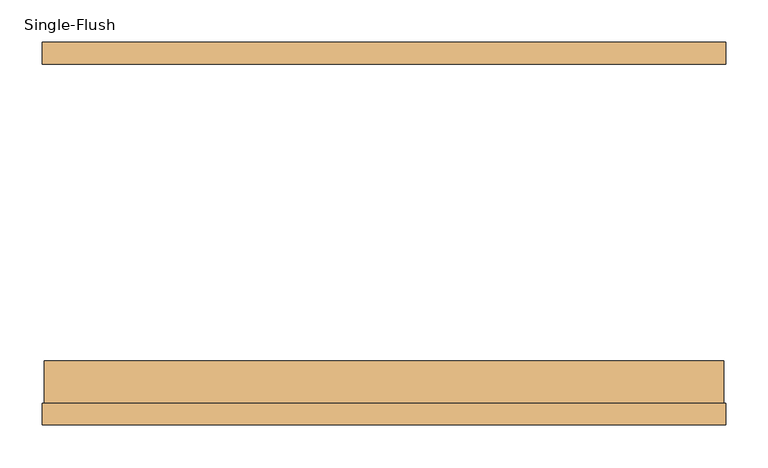
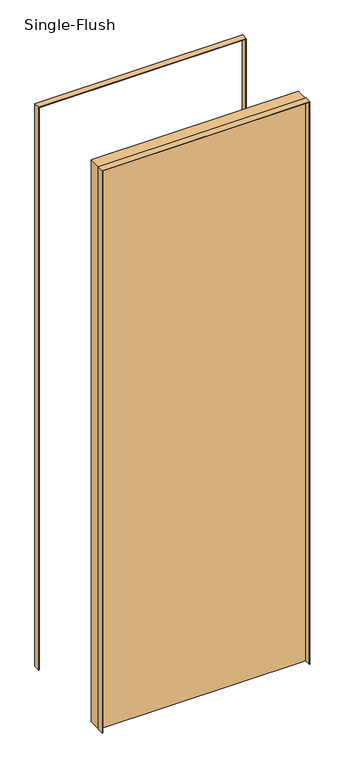
"""IFC4 building model written with IfcOpenShell, lengths in millimetres: door geometry, Single-Flush."""

from ifc_helpers import new_model, si_unit, frame, origin, origin_with_axes, place, context, project, spatial, polyline, outline, extrude, source, transform, mapped, element, save


def single_flush_659836fb(model_context):
    return source(origin(), model_context, "Body", "SweptSolid", [
        extrude(outline(polyline([(2302.0, -402.0), (0.0, -402.0), (0.0, -400.0), (2300.0, -400.0), (2300.0, 400.0), (0.0, 400.0), (0.0, 402.0), (2302.0, 402.0), (2302.0, -402.0)])), frame((0.0, -225.4, 0.0), z_axis=(0.0, 1.0, 0.0), x_axis=(0.0, 0.0, 1.0)), (0.0, 0.0, 1.0), 25.4),
        extrude(outline(polyline([(2302.0, 402.0), (2302.0, -402.0), (0.0, -402.0), (0.0, -400.0), (2300.0, -400.0), (2300.0, 400.0), (0.0, 400.0), (0.0, 402.0), (2302.0, 402.0)])), frame((0.0, 200.0, 0.0), z_axis=(0.0, 1.0, 0.0), x_axis=(0.0, 0.0, 1.0)), (0.0, 0.0, 1.0), 25.4),
        extrude(outline(polyline([(400.0, -150.0), (400.0, -200.0), (-400.0, -200.0), (-400.0, -150.0), (400.0, -150.0)])), origin_with_axes(), (0.0, 0.0, 1.0), 2300.0),
    ])


if __name__ == "__main__":
    model = new_model("IFC4")
    model_context = context("Model", 3, world=origin())
    ifc_project = project(units=[si_unit("LENGTHUNIT", "METRE", prefix="MILLI")], contexts=[model_context])
    site = spatial("IfcSite", under=ifc_project)
    building = spatial("IfcBuilding", under=site)
    placement = place(None, origin())
    single_flush_shape = single_flush_659836fb(model_context)
    element("IfcDoor", 1, ObjectType="Single-Flush", at=placement, inside=building, context=model_context, shape_type="MappedRepresentation", body=[
        mapped(single_flush_shape, transform((0.0, 0.0, 0.0), x_axis=(1.0, 0.0, 0.0), y_axis=(0.0, 1.0, 0.0), z_axis=(0.0, 0.0, 1.0))),
    ])
    save(model, "model.ifc")
